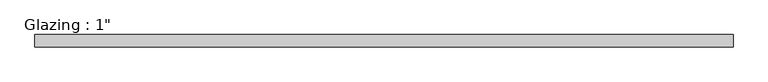
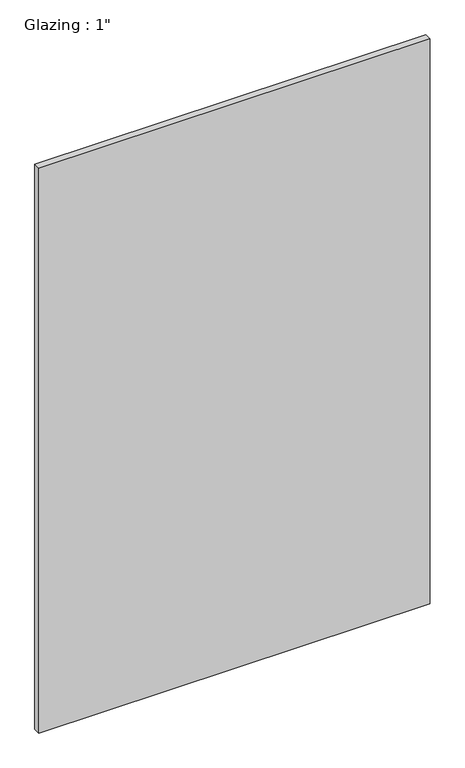
"""IFC4 building model written with IfcOpenShell, lengths in millimetres: plate geometry."""

from ifc_helpers import new_model, si_unit, origin, origin_with_axes, place, context, project, spatial, polyline, outline, extrude, source, transform, mapped, element, save


def plate_f08db089(model_context):
    return source(origin(), model_context, "Body", "SweptSolid", [
        extrude(outline(polyline([(713.8074708, -12.7), (-713.8074708, -12.7), (-713.8074708, 12.7), (713.8074708, 12.7), (713.8074708, -12.7)])), origin_with_axes(), (0.0, 0.0, 1.0), 2177.9425731),
    ])


if __name__ == "__main__":
    model = new_model("IFC4")
    model_context = context("Model", 3, world=origin())
    ifc_project = project(units=[si_unit("LENGTHUNIT", "METRE", prefix="MILLI")], contexts=[model_context])
    site = spatial("IfcSite", under=ifc_project)
    building = spatial("IfcBuilding", under=site)
    placement = place(None, origin())
    plate_shape = plate_f08db089(model_context)
    element("IfcPlate", 1, ObjectType="Glazing : 1\"", at=placement, inside=building, context=model_context, shape_type="MappedRepresentation", body=[
        mapped(plate_shape, transform((0.0, 0.0, 0.0), x_axis=(1.0, 0.0, 0.0), y_axis=(0.0, 1.0, 0.0), z_axis=(0.0, 0.0, 1.0))),
    ])
    save(model, "model.ifc")
